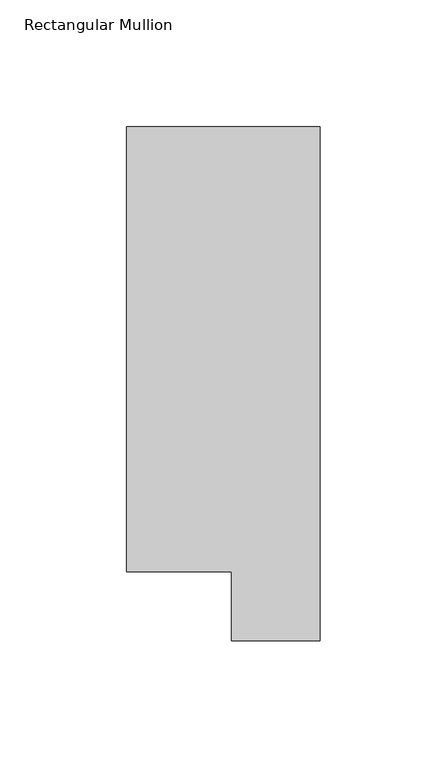
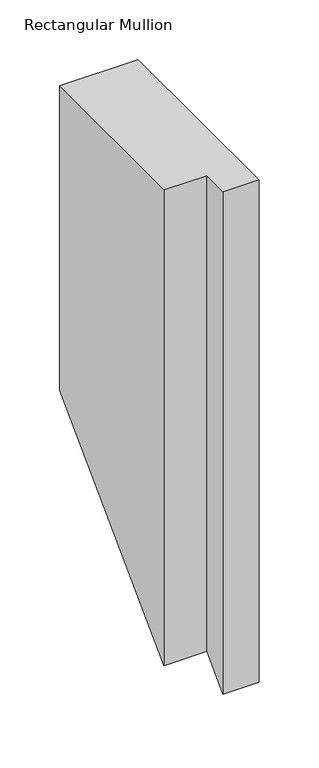
"""IFC4 building model written with IfcOpenShell, lengths in millimetres: member geometry, Rectangular Mullion."""

import ifcopenshell
import ifcopenshell.guid

model = None  # the IFC model being written
_history = None  # IfcOwnerHistory: only IFC2X3 demands one
_inside = {}  # id of a spatial element -> (the spatial element, [elements in it])
_under = {}  # id of a project, library or spatial element -> (it, [spatial elements below it])
_declared = {}  # id of a project -> (the project, [libraries it declares])
_typed = {}  # id of a type object -> (the type object, [elements of that type])
_made_of = {}  # id of a material, layer set ... -> (it, [elements and type objects made of it])


def new_model(schema):
    """Start an empty IFC model of exactly this schema.

    Asked for "IFC4X3", IfcOpenShell would pick the latest addendum, in which some entities
    have other attributes; the version numbers below select the first issue.
    IFC2X3 requires an IfcOwnerHistory on every rooted entity: one is made here for all.
    """
    global model, _history
    if schema == "IFC4X3":
        model = ifcopenshell.file(schema_version=(4, 3, 0, 0))
    else:
        model = ifcopenshell.file(schema=schema)
    _inside.clear()
    _under.clear()
    _declared.clear()
    _typed.clear()
    _made_of.clear()
    _history = None
    if model.schema == "IFC2X3":
        org = make("IfcOrganization", Name="unknown")
        user = make(
            "IfcPersonAndOrganization",
            ThePerson=make("IfcPerson", FamilyName="unknown"),
            TheOrganization=org,
        )
        app = make(
            "IfcApplication",
            ApplicationDeveloper=org,
            Version="unknown",
            ApplicationFullName="unknown",
            ApplicationIdentifier="unknown",
        )
        _history = make(
            "IfcOwnerHistory",
            OwningUser=user,
            OwningApplication=app,
            ChangeAction="ADDED",
            CreationDate=0,
        )
    return model


def make(cls, **values):
    """One entity of the class cls with the attributes given. An attribute that is None is left unset."""
    return model.create_entity(
        cls, **{name: value for name, value in values.items() if value is not None}
    )


def rooted(cls, **values):
    """An entity with a GlobalId (a new one), such as an element, a storey or a relation."""
    return make(cls, GlobalId=ifcopenshell.guid.new(), OwnerHistory=_history, **values)


def si_unit(unit_type, name, prefix=None):
    """IfcSIUnit, for example si_unit("LENGTHUNIT", "METRE", prefix="MILLI")."""
    return make("IfcSIUnit", UnitType=unit_type, Prefix=prefix, Name=name)


def assignment(units):
    """IfcUnitAssignment: the units of a project."""
    return None if units is None else make("IfcUnitAssignment", Units=units)


def point(xyz):
    """IfcCartesianPoint."""
    return None if xyz is None else make("IfcCartesianPoint", Coordinates=xyz)


def direction(xyz):
    """IfcDirection."""
    return None if xyz is None else make("IfcDirection", DirectionRatios=xyz)


def frame(location, z_axis=None, x_axis=None):
    """IfcAxis2Placement3D, a coordinate frame: its origin and axes. An axis left out is left unset."""
    return make(
        "IfcAxis2Placement3D",
        Location=point(location),
        Axis=direction(z_axis),
        RefDirection=direction(x_axis),
    )


def origin():
    """The frame at (0, 0, 0) with its axes left unset."""
    return frame((0.0, 0.0, 0.0))


def place(relative_to, where):
    """IfcLocalPlacement: puts the frame where relative to a parent placement (None: the world)."""
    return make(
        "IfcLocalPlacement", PlacementRelTo=relative_to, RelativePlacement=where
    )


def context(
    kind, dimensions, precision=None, world=None, true_north=None, identifier=None
):
    """IfcGeometricRepresentationContext, for example the 3D "Model" context."""
    return make(
        "IfcGeometricRepresentationContext",
        ContextIdentifier=identifier,
        ContextType=kind,
        CoordinateSpaceDimension=dimensions,
        Precision=precision,
        WorldCoordinateSystem=world,
        TrueNorth=true_north,
    )


def project(units=None, contexts=None):
    """IfcProject with its units and contexts."""
    return rooted(
        "IfcProject",
        Name="project",
        RepresentationContexts=contexts,
        UnitsInContext=assignment(units),
    )


def spatial(cls, under=None, at=None, **own):
    """A site, building, storey or space (cls), placed at a placement, below another one or the project."""
    s = rooted(cls, ObjectPlacement=at, **own)
    if under is not None:
        _under.setdefault(under.id(), (under, []))[1].append(s)
    return s


def faces_of(points, faces, orient=None, outer=None):
    """IfcFace entities. A face is a list of loops; a loop is a list of indices into points, from 0.

    orient and outer hold one flag for each loop. By default every Orientation is true, the
    first loop of a face is its IfcFaceOuterBound and the others are IfcFaceBound.
    """
    made = []
    for i, loops in enumerate(faces):
        bounds = []
        for j, loop in enumerate(loops):
            is_outer = j == 0 if outer is None else outer[i][j]
            bounds.append(
                make(
                    "IfcFaceOuterBound" if is_outer else "IfcFaceBound",
                    Bound=make("IfcPolyLoop", Polygon=[points[k] for k in loop]),
                    Orientation=True if orient is None else orient[i][j],
                )
            )
        made.append(make("IfcFace", Bounds=bounds))
    return made


def faceted_brep(points, faces, orient=None, outer=None, voids=None):
    """IfcFacetedBrep: a solid bounded by flat faces; with voids (closed shells), ...WithVoids."""
    shared = [point(p) for p in points]
    hull = make("IfcClosedShell", CfsFaces=faces_of(shared, faces, orient, outer))
    if voids is None:
        return make("IfcFacetedBrep", Outer=hull)
    return make(
        "IfcFacetedBrepWithVoids",
        Outer=hull,
        Voids=[
            make(cls, CfsFaces=faces_of(shared, fs, o, b)) for cls, fs, o, b in voids
        ],
    )


def shape(context_of_items, identifier, shape_type, items):
    """IfcShapeRepresentation: the items that make up one representation, for example the "Body"."""
    return make(
        "IfcShapeRepresentation",
        ContextOfItems=context_of_items,
        RepresentationIdentifier=identifier,
        RepresentationType=shape_type,
        Items=items,
    )


def source(mapping_origin, context_of_items, identifier, shape_type, items):
    """IfcRepresentationMap: a shape defined once, which mapped items show again and again."""
    return make(
        "IfcRepresentationMap",
        MappingOrigin=mapping_origin,
        MappedRepresentation=shape(context_of_items, identifier, shape_type, items),
    )


def transform(
    local_origin,
    x_axis=None,
    y_axis=None,
    z_axis=None,
    scale=None,
    scale2=None,
    scale3=None,
    uniform=True,
):
    """IfcCartesianTransformationOperator3D, or its non-uniform kind. x_axis, y_axis, z_axis: its Axis1, 2, 3."""
    if uniform:
        return make(
            "IfcCartesianTransformationOperator3D",
            Axis1=direction(x_axis),
            Axis2=direction(y_axis),
            LocalOrigin=point(local_origin),
            Scale=scale,
            Axis3=direction(z_axis),
        )
    return make(
        "IfcCartesianTransformationOperator3DnonUniform",
        Axis1=direction(x_axis),
        Axis2=direction(y_axis),
        LocalOrigin=point(local_origin),
        Scale=scale,
        Axis3=direction(z_axis),
        Scale2=scale2,
        Scale3=scale3,
    )


def mapped(mapping_source, mapping_target):
    """IfcMappedItem: shows the shape of a source again, moved by a transform."""
    return make(
        "IfcMappedItem", MappingSource=mapping_source, MappingTarget=mapping_target
    )


def made_of(thing, what):
    """Note that an element or type object is made of a material, layer set ...; save() writes the relation."""
    if what is not None:
        _made_of.setdefault(what.id(), (what, []))[1].append(thing)
    return thing


def element(
    cls,
    number,
    at=None,
    inside=None,
    cuts=None,
    type_object=None,
    material=None,
    context=None,
    identifier="Body",
    shape_type=None,
    held_by="IfcProductDefinitionShape",
    body=None,
    shapes=None,
    **own,
):
    """One element of the class cls, such as IfcWall. Its Tag is "e" and its number.

    at: its placement. inside: the storey or other place that contains it. cuts: it is an
    opening in that element (IfcRelVoidsElement). A single representation is given by context,
    identifier, shape_type and body (its items); several are given by shapes. held_by: the class
    of the entity that holds the representations. save() writes the other relations.
    """
    e = rooted(cls, Tag="e%d" % number, ObjectPlacement=at, **own)
    if body is not None:
        shapes = [shape(context, identifier, shape_type, body)]
    if shapes is not None:
        e.Representation = make(held_by, Representations=shapes)
    if inside is not None:
        _inside.setdefault(inside.id(), (inside, []))[1].append(e)
    if cuts is not None:
        rooted(
            "IfcRelVoidsElement", RelatingBuildingElement=cuts, RelatedOpeningElement=e
        )
    if type_object is not None:
        _typed.setdefault(type_object.id(), (type_object, []))[1].append(e)
    return made_of(e, material)


def aggregate(whole, parts):
    """IfcRelAggregates: a whole, such as a stair, and the parts it consists of."""
    return rooted("IfcRelAggregates", RelatingObject=whole, RelatedObjects=parts)


def save(model, path):
    """Write the relations noted so far, then the file.

    IfcRelAggregates (storeys below a building ...), IfcRelContainedInSpatialStructure (elements
    in a storey), IfcRelDefinesByType, IfcRelAssociatesMaterial and IfcRelDeclares: one each for
    every whole, place, type object, material and project.
    """
    for whole, parts in _under.values():
        aggregate(whole, parts)
    for where, things in _inside.values():
        rooted(
            "IfcRelContainedInSpatialStructure",
            RelatedElements=things,
            RelatingStructure=where,
        )
    for kind, things in _typed.values():
        rooted("IfcRelDefinesByType", RelatedObjects=things, RelatingType=kind)
    for what, things in _made_of.values():
        rooted("IfcRelAssociatesMaterial", RelatedObjects=things, RelatingMaterial=what)
    for by, libraries in _declared.values():
        rooted("IfcRelDeclares", RelatingContext=by, RelatedDefinitions=libraries)
    model.write(path)


def rectangular_mullion_efdaa386(model_context):
    return source(origin(), model_context, "Body", "Brep", [
        faceted_brep([(0.0, 222.0301313, 0.0), (-76.2, 222.0301313, 0.0), (-76.2, 46.7447302, 0.0), (-34.9123, 46.7447302, 0.0), (-34.9123, 19.5667312, 0.0), (0.0, 19.5667312, 0.0), (0.0, 222.0301313, -311.3698687), (-76.2, 222.0301313, -311.3698687), (-76.2, 46.7447302, -486.6552698), (-34.9123, 46.7447302, -486.6552698), (-34.9123, 19.5667312, -513.8332687), (0.0, 19.5667312, -513.8332687)], [[[0, 1, 2, 3, 4, 5]], [[1, 0, 6, 7]], [[2, 1, 7, 8]], [[3, 2, 8, 9]], [[4, 3, 9, 10]], [[5, 4, 10, 11]], [[0, 5, 11, 6]], [[6, 11, 10, 9, 8, 7]]]),
    ])


if __name__ == "__main__":
    model = new_model("IFC4")
    model_context = context("Model", 3, world=origin())
    ifc_project = project(units=[si_unit("LENGTHUNIT", "METRE", prefix="MILLI")], contexts=[model_context])
    site = spatial("IfcSite", under=ifc_project)
    building = spatial("IfcBuilding", under=site)
    placement = place(None, origin())
    rectangular_mullion_shape = rectangular_mullion_efdaa386(model_context)
    element("IfcMember", 1, ObjectType="Rectangular Mullion", at=placement, inside=building, context=model_context, shape_type="MappedRepresentation", body=[
        mapped(rectangular_mullion_shape, transform((0.0, 0.0, 0.0), x_axis=(1.0, 0.0, 0.0), y_axis=(0.0, 1.0, 0.0), z_axis=(0.0, 0.0, 1.0))),
    ])
    save(model, "model.ifc")
